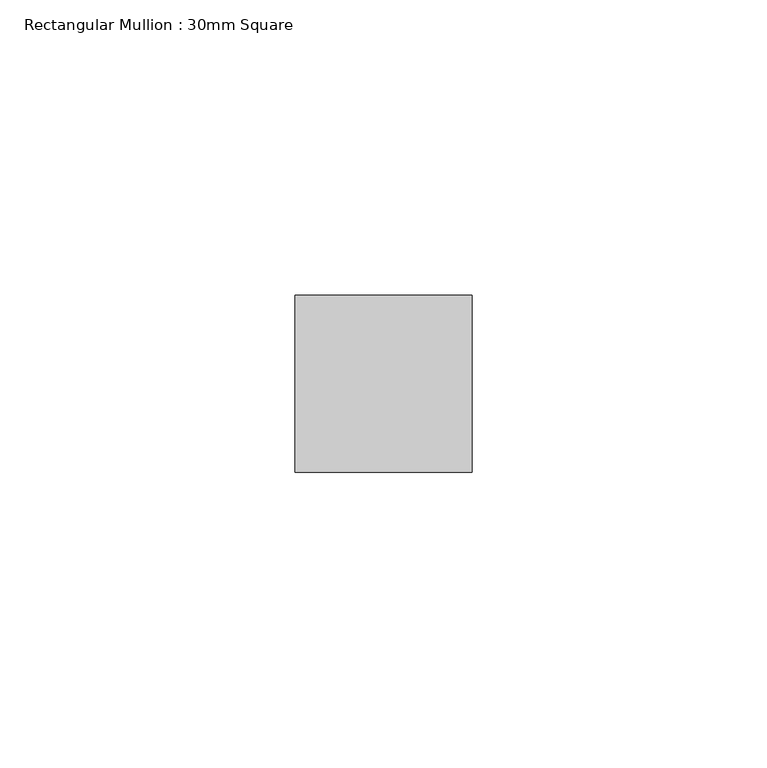
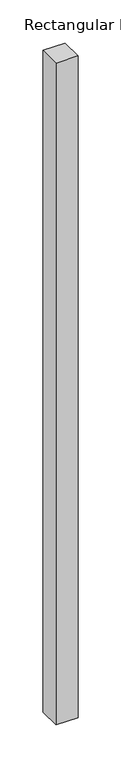
"""IFC4 building model written with IfcOpenShell, lengths in millimetres: member geometry, Rectangular Mullion : 30mm Square."""

from ifc_helpers import new_model, si_unit, frame, origin, place, context, project, spatial, polyline, outline, extrude, source, transform, mapped, element, save


def rectangular_mullion_30mm_square_7cf86351(model_context):
    return source(origin(), model_context, "Body", "SweptSolid", [
        extrude(outline(polyline([(15.0, 15.0), (15.0, -15.0), (-15.0, -15.0), (-15.0, 15.0), (15.0, 15.0)])), frame((0.0, 0.0, -937.2613633), z_axis=(0.0, 0.0, 1.0), x_axis=(1.0, 0.0, 0.0)), (0.0, 0.0, 1.0), 937.2613633),
    ])


if __name__ == "__main__":
    model = new_model("IFC4")
    model_context = context("Model", 3, world=origin())
    ifc_project = project(units=[si_unit("LENGTHUNIT", "METRE", prefix="MILLI")], contexts=[model_context])
    site = spatial("IfcSite", under=ifc_project)
    building = spatial("IfcBuilding", under=site)
    placement = place(None, origin())
    rectangular_mullion_30mm_square_shape = rectangular_mullion_30mm_square_7cf86351(model_context)
    element("IfcMember", 1, ObjectType="Rectangular Mullion : 30mm Square", at=placement, inside=building, context=model_context, shape_type="MappedRepresentation", body=[
        mapped(rectangular_mullion_30mm_square_shape, transform((0.0, 0.0, 0.0), x_axis=(1.0, 0.0, 0.0), y_axis=(0.0, 1.0, 0.0), z_axis=(0.0, 0.0, 1.0))),
    ])
    save(model, "model.ifc")
